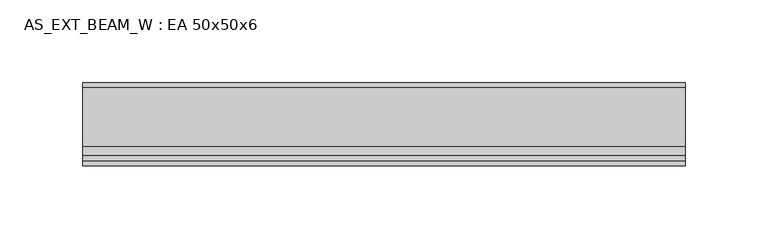
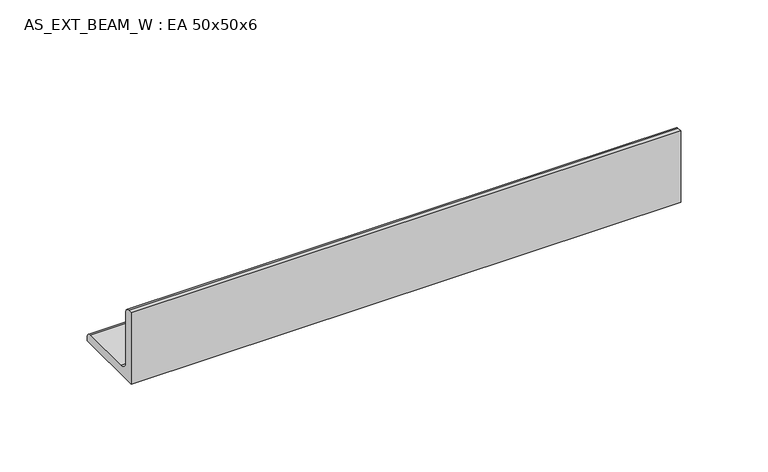
"""IFC4 building model written with IfcOpenShell, lengths in millimetres: beam geometry, AS_EXT_BEAM_W : EA 50x50x6."""

from ifc_helpers import new_model, si_unit, point, frame, frame_2d, origin, place, context, project, spatial, polyline, circle_curve, trimmed, segment, composite_curve, outline, extrude, source, transform, mapped, element, save


def as_ext_beam_w_ea_50x50x6_b6ffe92a(model_context):
    return source(origin(), model_context, "Body", "SweptSolid", [
        extrude(outline(composite_curve([segment(polyline([(-14.5, -14.5), (-14.5, 35.5), (-11.5, 35.5)]), True, "CONTINUOUS"), segment(trimmed(circle_curve(frame_2d((-11.5, 32.5)), 3.0), [point((-11.5, 35.5))], [point((-8.5, 32.5))], False, "CARTESIAN"), True, "CONTINUOUS"), segment(polyline([(-8.5, 32.5), (-8.5, -2.5)]), True, "CONTINUOUS"), segment(trimmed(circle_curve(frame_2d((-2.5, -2.5)), 6.0), [point((-8.5, -2.5))], [point((-2.5, -8.5))], True, "CARTESIAN"), True, "CONTINUOUS"), segment(polyline([(-2.5, -8.5), (32.5, -8.5)]), True, "CONTINUOUS"), segment(trimmed(circle_curve(frame_2d((32.5, -11.5)), 3.0), [point((32.5, -8.5))], [point((35.5, -11.5))], False, "CARTESIAN"), True, "CONTINUOUS"), segment(polyline([(35.5, -11.5), (35.5, -14.5), (-14.5, -14.5)]), True, "CONTINUOUS")], self_intersect=False)), frame((-181.4, 0.0, 0.0), z_axis=(1.0, 0.0, 0.0), x_axis=(0.0, 1.0, 0.0)), (0.0, 0.0, 1.0), 362.8),
    ])


if __name__ == "__main__":
    model = new_model("IFC4")
    model_context = context("Model", 3, world=origin())
    ifc_project = project(units=[si_unit("LENGTHUNIT", "METRE", prefix="MILLI")], contexts=[model_context])
    site = spatial("IfcSite", under=ifc_project)
    building = spatial("IfcBuilding", under=site)
    placement = place(None, origin())
    as_ext_beam_w_ea_50x50x6_shape = as_ext_beam_w_ea_50x50x6_b6ffe92a(model_context)
    element("IfcBeam", 1, ObjectType="AS_EXT_BEAM_W : EA 50x50x6", at=placement, inside=building, context=model_context, shape_type="MappedRepresentation", body=[
        mapped(as_ext_beam_w_ea_50x50x6_shape, transform((0.0, 0.0, 0.0), x_axis=(1.0, 0.0, 0.0), y_axis=(0.0, 1.0, 0.0), z_axis=(0.0, 0.0, 1.0))),
    ])
    save(model, "model.ifc")
